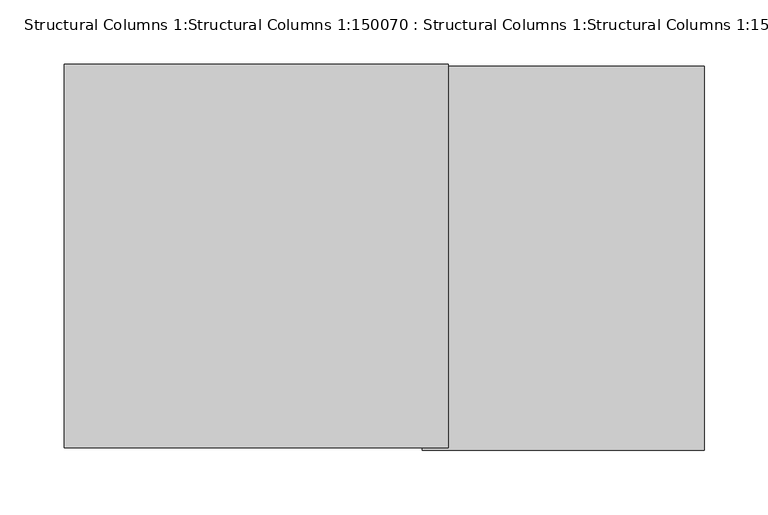
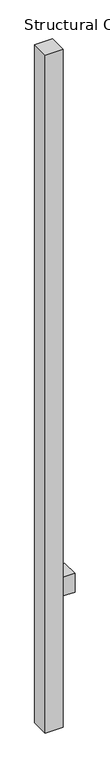
"""IFC4 building model written with IfcOpenShell, lengths in millimetres: column geometry, Structural Columns 1:Structural Columns 1:150070 : Structural Columns 1:Structural Columns 1:150070."""

from ifc_helpers import new_model, si_unit, frame, origin, origin_with_axes, place, context, project, spatial, polyline, outline, extrude, source, transform, mapped, element, save


def structural_columns_1_structural_columns_1_150070_structural_cdbeba31(model_context):
    return source(origin(), model_context, "Body", "SweptSolid", [
        extrude(outline(polyline([(-150.0, -150.0), (-150.0, 150.0), (150.0, 150.0), (150.0, -150.0), (-150.0, -150.0)])), origin_with_axes(), (0.0, 0.0, 1.0), 12000.0),
        extrude(outline(polyline([(130.0, -150.0), (130.0, 150.0), (350.0, 150.0), (350.0, -150.0), (130.0, -150.0)])), frame((0.0, 0.0, 2320.0), z_axis=(0.0, 0.0, 1.0), x_axis=(1.0, 0.0, 0.0)), (0.0, 0.0, 1.0), 330.0),
    ])


if __name__ == "__main__":
    model = new_model("IFC4")
    model_context = context("Model", 3, world=origin())
    ifc_project = project(units=[si_unit("LENGTHUNIT", "METRE", prefix="MILLI")], contexts=[model_context])
    site = spatial("IfcSite", under=ifc_project)
    building = spatial("IfcBuilding", under=site)
    placement = place(None, origin())
    structural_columns_1_structural_columns_1_150070_structural_shape = structural_columns_1_structural_columns_1_150070_structural_cdbeba31(model_context)
    element("IfcColumn", 1, ObjectType="Structural Columns 1:Structural Columns 1:150070 : Structural Columns 1:Structural Columns 1:150070", at=placement, inside=building, context=model_context, shape_type="MappedRepresentation", body=[
        mapped(structural_columns_1_structural_columns_1_150070_structural_shape, transform((0.0, 0.0, 0.0), x_axis=(1.0, 0.0, 0.0), y_axis=(0.0, 1.0, 0.0), z_axis=(0.0, 0.0, 1.0))),
    ])
    save(model, "model.ifc")
